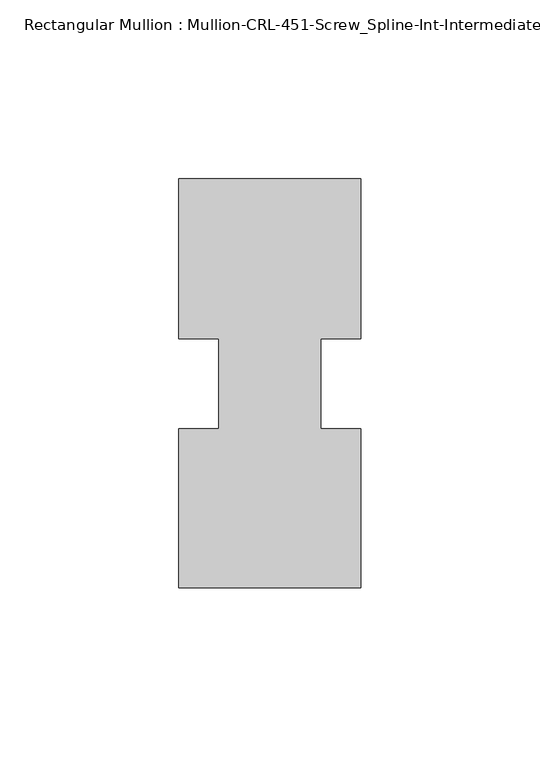
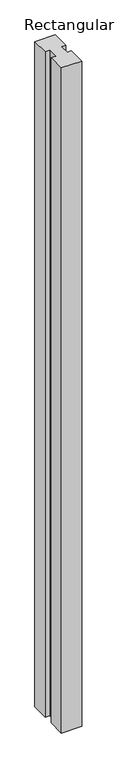
"""IFC4 building model written with IfcOpenShell, lengths in millimetres: member geometry, Rectangular Mullion : Mullion-CRL-451-Screw_Spline-Int-Intermediate_Horizontal."""

from ifc_helpers import new_model, si_unit, frame, origin, place, context, project, spatial, polyline, outline, extrude, source, transform, mapped, element, save


def rectangular_mullion_mullion_crl_451_screw_spline_int_6d639c5a(model_context):
    return source(origin(), model_context, "Body", "SweptSolid", [
        extrude(outline(polyline([(25.4, -57.15), (-25.4, -57.15), (-25.4, -12.7), (-14.2875, -12.7), (-14.2875, 12.5476134), (-25.4, 12.5476134), (-25.4, 57.15), (25.4, 57.15), (25.4, 12.5476134), (14.2875, 12.5476134), (14.2875, -12.7), (25.4, -12.7), (25.4, -57.15)])), frame((0.0, 0.0, -1752.6), z_axis=(0.0, 0.0, 1.0), x_axis=(1.0, 0.0, 0.0)), (0.0, 0.0, 1.0), 1752.6),
    ])


if __name__ == "__main__":
    model = new_model("IFC4")
    model_context = context("Model", 3, world=origin())
    ifc_project = project(units=[si_unit("LENGTHUNIT", "METRE", prefix="MILLI")], contexts=[model_context])
    site = spatial("IfcSite", under=ifc_project)
    building = spatial("IfcBuilding", under=site)
    placement = place(None, origin())
    rectangular_mullion_mullion_crl_451_screw_spline_int_shape = rectangular_mullion_mullion_crl_451_screw_spline_int_6d639c5a(model_context)
    element("IfcMember", 1, ObjectType="Rectangular Mullion : Mullion-CRL-451-Screw_Spline-Int-Intermediate_Horizontal", at=placement, inside=building, context=model_context, shape_type="MappedRepresentation", body=[
        mapped(rectangular_mullion_mullion_crl_451_screw_spline_int_shape, transform((0.0, 0.0, 0.0), x_axis=(1.0, 0.0, 0.0), y_axis=(0.0, 1.0, 0.0), z_axis=(0.0, 0.0, 1.0))),
    ])
    save(model, "model.ifc")
